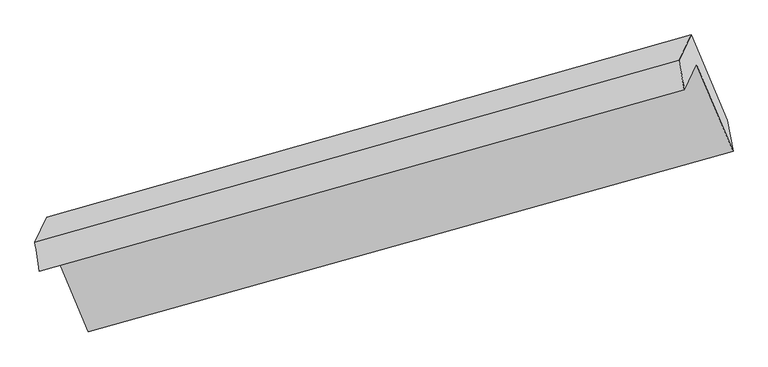
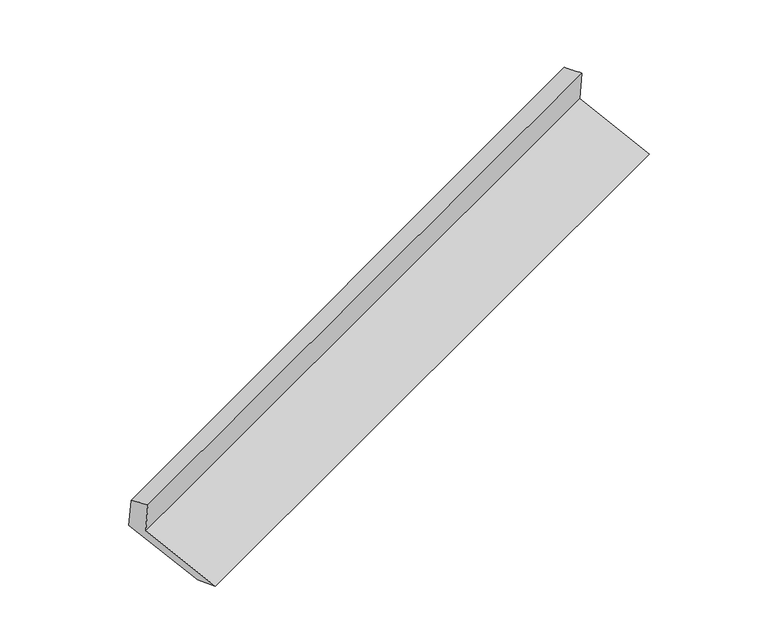
"""IFC4 building model written with IfcOpenShell, lengths in millimetres: proxy geometry."""

from ifc_helpers import new_model, si_unit, frame, origin, place, context, project, spatial, source, transform, mapped, element, save
from ifc_brep_helpers import plane_surface, spline_surface, advanced_brep


def generic_models_8f614dcc(model_context):
    return source(origin(), model_context, "Body", "AdvancedBrep", [
        advanced_brep(
        [(-5125.7020759, -2127.9047584, 1492.6657551), (-5043.5572199, -1953.4978639, 1129.6447648), (-752.3315945, -751.8402822, 2689.3061708), (-832.4779624, -922.0040615, 3043.4952861), (-5155.0982504, -1936.3351027, 1424.0885413), (-867.5414161, -725.9954712, 2987.0909029), (-5076.9503705, -1770.4144386, 1078.7313011), (-787.3950481, -555.8316919, 2632.9017877), (-4836.5205139, -2339.3822296, 859.7857533), (-546.9651916, -1124.7994829, 2413.9562399), (-4799.4585722, -2531.1477045, 907.3582613), (-508.2329468, -1329.4901228, 2467.0196674)],
        [
            (0, 1),
            (1, 2),
            (2, 3),
            (3, 0),
            (4, 0),
            (3, 5),
            (5, 4),
            (6, 4),
            (5, 7),
            (7, 6),
            (8, 6),
            (7, 9),
            (9, 8),
            (10, 8),
            (9, 11),
            (11, 10),
            (1, 10),
            (11, 2),
        ],
        [
            plane_surface(frame((-5084.6296479, -2040.7013112, 1311.1552599), z_axis=(0.36495394279147064, -0.8687479011817003, -0.3347920307195962), x_axis=(0.19984880467615151, 0.42431152867313376, -0.8831875123124092))),
            spline_surface(1, 1, [[(-5155.0982504, -1936.3351027, 1424.0885413), (-867.5414161, -725.9954712, 2987.0909029)], [(-5125.7020759, -2127.9047584, 1492.6657551), (-832.4779624, -922.0040615, 3043.4952861)]], [2, 2], [2, 2], [0.0, 1.0], [0.0, 1.0]),
            plane_surface(frame((-5116.0243104, -1853.3747707, 1251.4099212), z_axis=(-0.36687911046156013, 0.8682049725735969, 0.3340955610381774), x_axis=(-0.19984880467615151, -0.42431152867313376, 0.8831875123124092))),
            plane_surface(frame((-4956.7354422, -2054.8983341, 969.2585272), z_axis=(0.19984880467610933, 0.4243115286731444, -0.8831875123124135), x_axis=(-0.3668791104615576, 0.868204972573589, 0.3340955610382005))),
            spline_surface(1, 1, [[(-4799.4585722, -2531.1477045, 907.3582613), (-508.2329468, -1329.4901228, 2467.0196674)], [(-4836.5205139, -2339.3822296, 859.7857533), (-546.9651916, -1124.7994829, 2413.9562399)]], [2, 2], [2, 2], [0.0, 1.0], [0.0, 1.0]),
            plane_surface(frame((-4921.5078961, -2242.3227842, 1018.501513), z_axis=(-0.20177270114373372, -0.4248554529591078, 0.8824883121968661), x_axis=(0.36687911046156474, -0.8682049725735882, -0.3340955610381946))),
            plane_surface(frame((-715.8240266, -901.6601854, 2705.6283425), z_axis=(0.9085483881315587, 0.25725445036684, 0.3291807621809057), x_axis=(-0.3668791104615576, 0.868204972573589, 0.3340955610382005))),
            plane_surface(frame((-5006.2145005, -2109.7803496, 1148.7123962), z_axis=(-0.9085483881315406, -0.25725445036686645, -0.3291807621809344), x_axis=(-0.19984880467615138, -0.4243115286731768, 0.8831875123123885))),
        ],
        [
            (0, [[1, 2, 3, 4]]),
            (1, [[5, -4, 6, 7]]),
            (2, [[8, -7, 9, 10]]),
            (3, [[11, -10, 12, 13]]),
            (4, [[14, -13, 15, 16]]),
            (5, [[17, -16, 18, -2]]),
            (6, [[-12, -9, -6, -3, -18, -15]]),
            (7, [[-1, -5, -8, -11, -14, -17]]),
        ],
    ),
    ])


if __name__ == "__main__":
    model = new_model("IFC4")
    model_context = context("Model", 3, world=origin())
    ifc_project = project(units=[si_unit("LENGTHUNIT", "METRE", prefix="MILLI")], contexts=[model_context])
    site = spatial("IfcSite", under=ifc_project)
    building = spatial("IfcBuilding", under=site)
    placement = place(None, origin())
    generic_models_shape = generic_models_8f614dcc(model_context)
    element("IfcBuildingElementProxy", 1, Name="Generic Models", at=placement, inside=building, context=model_context, shape_type="MappedRepresentation", body=[
        mapped(generic_models_shape, transform((0.0, 0.0, 0.0), x_axis=(1.0, 0.0, 0.0), y_axis=(0.0, 1.0, 0.0), z_axis=(0.0, 0.0, 1.0))),
    ])
    save(model, "model.ifc")
